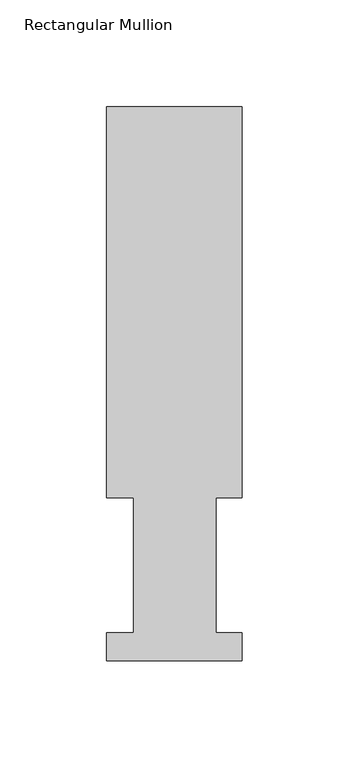
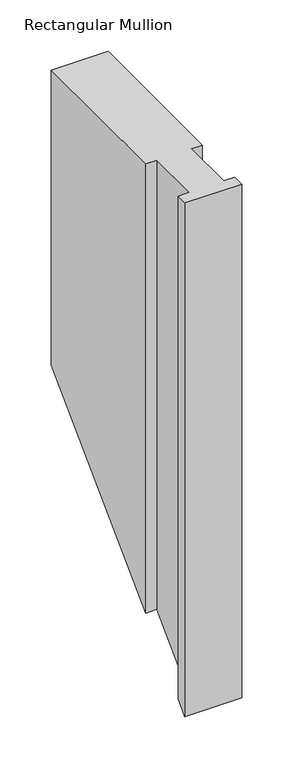
"""IFC4 building model written with IfcOpenShell, lengths in millimetres: member geometry, Rectangular Mullion."""

from ifc_helpers import new_model, si_unit, origin, place, context, project, spatial, faceted_brep, source, transform, mapped, element, save


def rectangular_mullion_bebf967b(model_context):
    return source(origin(), model_context, "Body", "Brep", [
        faceted_brep([(-63.5, 76.2992187, 0.0), (-50.8, 76.2992187, 0.0), (-50.8, 13.1492189, 0.0), (-63.5, 13.1492189, 0.0), (-63.5, -0.0333811, 0.0), (0.0, -0.0333811, 0.0), (0.0, 13.1492189, 0.0), (-12.3418395, 13.1492189, 0.0), (-12.3418395, 76.2992187, 0.0), (0.0, 76.2992187, 0.0), (0.0, 259.4591074, 0.0), (-63.5, 259.4591074, 0.0), (-63.5, 76.2992187, -533.3007812), (-50.8, 76.2992187, -533.3007812), (-50.8, 13.1492189, -596.4507811), (-63.5, 13.1492189, -596.4507811), (-63.5, -0.0333811, -609.6333811), (0.0, -0.0333811, -609.6333811), (0.0, 13.1492189, -596.4507811), (-12.3418395, 13.1492189, -596.4507811), (-12.3418395, 76.2992187, -533.3007812), (0.0, 76.2992187, -533.3007812), (0.0, 259.4591074, -350.1408926), (-63.5, 259.4591074, -350.1408926)], [[[0, 1, 2, 3, 4, 5, 6, 7, 8, 9, 10, 11]], [[1, 0, 12, 13]], [[2, 1, 13, 14]], [[3, 2, 14, 15]], [[4, 3, 15, 16]], [[5, 4, 16, 17]], [[6, 5, 17, 18]], [[7, 6, 18, 19]], [[8, 7, 19, 20]], [[9, 8, 20, 21]], [[10, 9, 21, 22]], [[11, 10, 22, 23]], [[0, 11, 23, 12]], [[12, 23, 22, 21, 20, 19, 18, 17, 16, 15, 14, 13]]]),
    ])


if __name__ == "__main__":
    model = new_model("IFC4")
    model_context = context("Model", 3, world=origin())
    ifc_project = project(units=[si_unit("LENGTHUNIT", "METRE", prefix="MILLI")], contexts=[model_context])
    site = spatial("IfcSite", under=ifc_project)
    building = spatial("IfcBuilding", under=site)
    placement = place(None, origin())
    rectangular_mullion_shape = rectangular_mullion_bebf967b(model_context)
    element("IfcMember", 1, ObjectType="Rectangular Mullion", at=placement, inside=building, context=model_context, shape_type="MappedRepresentation", body=[
        mapped(rectangular_mullion_shape, transform((0.0, 0.0, 0.0), x_axis=(1.0, 0.0, 0.0), y_axis=(0.0, 1.0, 0.0), z_axis=(0.0, 0.0, 1.0))),
    ])
    save(model, "model.ifc")
